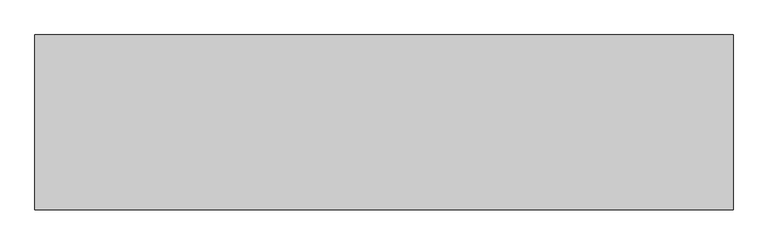
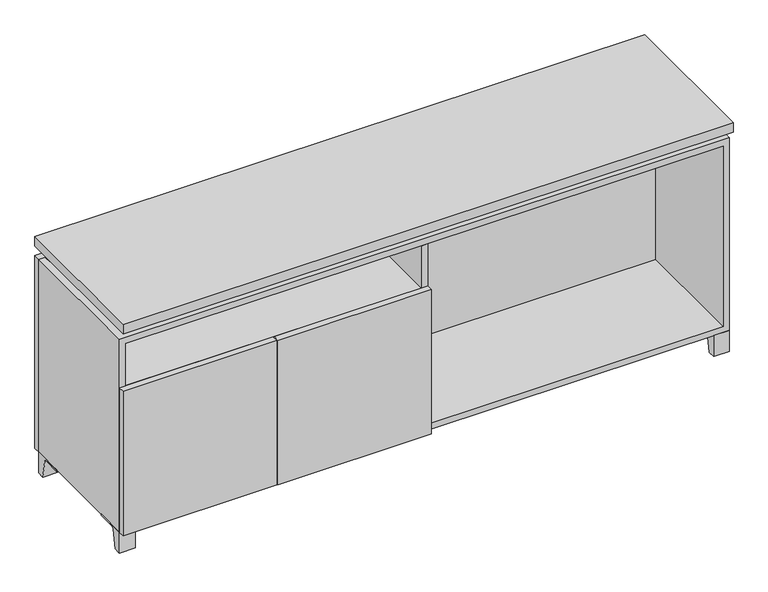
"""IFC4 building model written with IfcOpenShell, lengths in millimetres: furniture geometry."""

from ifc_helpers import new_model, si_unit, point, frame, frame_2d, origin, place, context, project, spatial, polyline, circle_curve, trimmed, segment, composite_curve, outline, extrude, faceted_brep, source, transform, mapped, element, save


def furniture_8cd54f4f(model_context):
    return source(origin(), model_context, "Body", "SolidModel", [
        extrude(outline(composite_curve([segment(polyline([(44.9791531, 0.0), (22.225, 0.0), (22.225, 66.675), (117.475, 66.675), (117.475, 61.8963321), (60.6744655, 61.8963321)]), True, "CONTINUOUS"), segment(trimmed(circle_curve(frame_2d((60.6744655, 55.5463321)), 6.35), [point((60.6744655, 61.8963321))], [point((54.4108641, 56.5902656))], True, "CARTESIAN"), True, "CONTINUOUS"), segment(polyline([(54.4108641, 56.5902656), (44.9791531, 0.0)]), True, "CONTINUOUS")], self_intersect=False)), frame((-23.7986094, 0.0, 0.0), z_axis=(1.0, 0.0, 0.0), x_axis=(0.0, 1.0, 0.0)), (0.0, 0.0, 1.0), 47.625),
        extrude(outline(composite_curve([segment(polyline([(-123.2958469, 0.0), (-146.05, 0.0), (-146.05, 66.675), (-50.8, 66.675), (-50.8, 61.8963321), (-107.6005345, 61.8963321)]), True, "CONTINUOUS"), segment(trimmed(circle_curve(frame_2d((-107.6005345, 55.5463321)), 6.35), [point((-107.6005345, 61.8963321))], [point((-113.8641359, 56.5902656))], True, "CARTESIAN"), True, "CONTINUOUS"), segment(polyline([(-113.8641359, 56.5902656), (-123.2958469, 0.0)]), True, "CONTINUOUS")], self_intersect=False)), frame((865.2013906, 0.0, 0.0), z_axis=(1.0, 0.0, 0.0), x_axis=(0.0, 1.0, 0.0)), (0.0, 0.0, 1.0), 47.625),
        extrude(outline(composite_curve([segment(polyline([(250.2958469, 0.0), (240.8641359, 56.5902656)]), True, "CONTINUOUS"), segment(trimmed(circle_curve(frame_2d((234.6005345, 55.5463321)), 6.35), [point((240.8641359, 56.5902656))], [point((234.6005345, 61.8963321))], True, "CARTESIAN"), True, "CONTINUOUS"), segment(polyline([(234.6005345, 61.8963321), (177.8, 61.8963321), (177.8, 66.675), (273.05, 66.675), (273.05, 0.0), (250.2958469, 0.0)]), True, "CONTINUOUS")], self_intersect=False)), frame((865.2013906, 0.0, 0.0), z_axis=(1.0, 0.0, 0.0), x_axis=(0.0, 1.0, 0.0)), (0.0, 0.0, 1.0), 47.625),
        extrude(outline(composite_curve([segment(polyline([(-123.2958469, 0.0), (-146.05, 0.0), (-146.05, 66.675), (-50.8, 66.675), (-50.8, 61.8963321), (-107.6005345, 61.8963321)]), True, "CONTINUOUS"), segment(trimmed(circle_curve(frame_2d((-107.6005345, 55.5463321)), 6.35), [point((-107.6005345, 61.8963321))], [point((-113.8641359, 56.5902656))], True, "CARTESIAN"), True, "CONTINUOUS"), segment(polyline([(-113.8641359, 56.5902656), (-123.2958469, 0.0)]), True, "CONTINUOUS")], self_intersect=False)), frame((-912.7986094, 0.0, 0.0), z_axis=(1.0, 0.0, 0.0), x_axis=(0.0, 1.0, 0.0)), (0.0, 0.0, 1.0), 47.625),
        extrude(outline(composite_curve([segment(polyline([(250.2958469, 0.0), (240.8641359, 56.5902656)]), True, "CONTINUOUS"), segment(trimmed(circle_curve(frame_2d((234.6005345, 55.5463321)), 6.35), [point((240.8641359, 56.5902656))], [point((234.6005345, 61.8963321))], True, "CARTESIAN"), True, "CONTINUOUS"), segment(polyline([(234.6005345, 61.8963321), (177.8, 61.8963321), (177.8, 66.675), (273.05, 66.675), (273.05, 0.0), (250.2958469, 0.0)]), True, "CONTINUOUS")], self_intersect=False)), frame((-912.7986094, 0.0, 0.0), z_axis=(1.0, 0.0, 0.0), x_axis=(0.0, 1.0, 0.0)), (0.0, 0.0, 1.0), 47.625),
        faceted_brep([(-912.7986094, -146.05, 66.675), (912.8125, -146.05, 66.675), (912.8125, -146.05, 676.275), (-912.7986094, -146.05, 676.275), (-893.7486094, -146.05, 85.725), (-893.7486094, -146.05, 657.225), (893.7694453, -146.05, 657.225), (893.7486094, -146.05, 85.725), (-912.7986094, 273.05, 66.675), (-912.7986094, 273.05, 676.275), (-893.7486094, 273.05, 676.275), (-893.7486094, 273.05, 85.725), (893.7486094, 273.05, 85.725), (893.7486094, 273.05, 676.275), (912.8125, 273.05, 676.275), (912.8125, 273.05, 66.675), (893.7486094, 247.65, 676.275), (-893.7416641, 247.65, 676.275), (-893.7486094, 247.65, 657.225), (893.7486094, 247.65, 657.225)], [[[0, 1, 2, 3], [4, 5, 6, 7]], [[8, 9, 10, 11, 12, 13, 14, 15]], [[1, 0, 8, 15]], [[2, 1, 15, 14]], [[3, 2, 14, 13, 16, 17, 10, 9]], [[0, 3, 9, 8]], [[11, 10, 17, 18, 5, 4]], [[13, 12, 7, 6, 19, 16]], [[4, 7, 12, 11]], [[6, 5, 18, 19]], [[17, 16, 19, 18]]]),
        extrude(outline(polyline([(912.8263906, -165.1), (-912.7986094, -165.1), (-912.7986094, 292.1), (912.8263906, 292.1), (912.8263906, -165.1)])), frame((0.0, 0.0, 706.4375), z_axis=(0.0, 0.0, 1.0), x_axis=(1.0, 0.0, 0.0)), (0.0, 0.0, 1.0), 30.1625),
        faceted_brep([(7.9513906, -69.85, 706.4375), (7.9513906, -69.85, 676.275), (7.9513906, 53.975, 676.275), (7.9513906, 53.975, 706.4375), (7.9513906, 196.85, 676.275), (7.9513906, 196.85, 706.4375), (7.9513906, 73.025, 706.4375), (7.9513906, 73.025, 676.275), (-7.9236094, 196.85, 706.4375), (-7.9236094, 196.85, 676.275), (-7.9236094, 73.025, 676.275), (-7.9236094, 73.025, 706.4375), (-7.9236094, -69.85, 676.275), (-7.9236094, -69.85, 706.4375), (-7.9236094, 53.975, 706.4375), (-7.9236094, 53.975, 676.275), (-871.4958281, 73.025, 706.4375), (-871.5166641, 247.65, 706.4375), (-887.3916641, 247.65, 706.4375), (-887.3916641, -120.65, 706.4375), (-871.5166641, -120.65, 706.4375), (-871.5166641, 53.975, 706.4375), (871.5236094, 53.975, 706.4375), (871.5236094, -120.65, 706.4375), (887.3986094, -120.65, 706.4375), (887.3986094, 247.65, 706.4375), (871.5236094, 247.65, 706.4375), (871.5236094, 73.025, 706.4375), (-871.4958281, 53.975, 676.275), (-871.5166641, -120.65, 676.275), (-887.3916641, -120.65, 676.275), (-887.3916641, 247.65, 676.275), (-871.5166641, 247.65, 676.275), (-871.5166641, 73.025, 676.275), (871.5236094, 73.025, 676.275), (871.5236094, 247.65, 676.275), (887.3986094, 247.65, 676.275), (887.3986094, -120.65, 676.275), (871.5236094, -120.65, 676.275), (871.5236094, 53.975, 676.275)], [[[0, 1, 2, 3]], [[4, 5, 6, 7]], [[8, 9, 10, 11]], [[12, 13, 14, 15]], [[5, 8, 11, 16, 17, 18, 19, 20, 21, 14, 13, 0, 3, 22, 23, 24, 25, 26, 27, 6]], [[1, 12, 15, 28, 29, 30, 31, 32, 33, 10, 9, 4, 7, 34, 35, 36, 37, 38, 39, 2]], [[5, 4, 9, 8]], [[1, 0, 13, 12]], [[6, 27, 34, 7]], [[22, 3, 2, 39]], [[20, 29, 28, 21]], [[32, 17, 16, 33]], [[18, 31, 30, 19]], [[29, 20, 19, 30]], [[17, 32, 31, 18]], [[26, 35, 34, 27]], [[38, 23, 22, 39]], [[25, 24, 37, 36]], [[23, 38, 37, 24]], [[35, 26, 25, 36]], [[16, 11, 10, 33]], [[14, 21, 28, 15]]]),
        extrude(outline(polyline([(9.5388906, 203.2), (9.5388906, -146.05), (-9.5111094, -146.05), (-9.5111094, 203.2), (9.5388906, 203.2)])), frame((0.0, 0.0, 85.725), z_axis=(0.0, 0.0, 1.0), x_axis=(1.0, 0.0, 0.0)), (0.0, 0.0, 1.0), 571.5),
        extrude(outline(polyline([(912.8263906, 273.05), (-912.7986094, 273.05), (-912.7986094, 292.1), (912.8263906, 292.1), (912.8263906, 273.05)])), frame((0.0, 0.0, 66.675), z_axis=(0.0, 0.0, 1.0), x_axis=(1.0, 0.0, 0.0)), (0.0, 0.0, 1.0), 609.6),
        extrude(outline(polyline([(-893.7416641, 203.2), (-893.7416641, 209.55), (893.7694453, 209.55), (893.7694453, 203.2), (-893.7416641, 203.2)])), frame((0.0, 0.0, 85.725), z_axis=(0.0, 0.0, 1.0), x_axis=(1.0, 0.0, 0.0)), (0.0, 0.0, 1.0), 571.5),
        extrude(outline(polyline([(9.5388906, -165.1), (-450.0423594, -165.1), (-450.0423594, -146.05), (9.5388906, -146.05), (9.5388906, -165.1)])), frame((0.0, 0.0, 66.675), z_axis=(0.0, 0.0, 1.0), x_axis=(1.0, 0.0, 0.0)), (0.0, 0.0, 1.0), 457.2),
        extrude(outline(polyline([(-453.2173594, -165.1), (-912.7986094, -165.1), (-912.7986094, -146.05), (-453.2173594, -146.05), (-453.2173594, -165.1)])), frame((0.0, 0.0, 66.675), z_axis=(0.0, 0.0, 1.0), x_axis=(1.0, 0.0, 0.0)), (0.0, 0.0, 1.0), 457.2),
        extrude(outline(polyline([(-9.5111094, 203.2), (-9.5111094, -146.05), (-893.7486094, -146.05), (-893.7486094, 203.2), (-9.5111094, 203.2)])), frame((0.0, 0.0, 504.825), z_axis=(0.0, 0.0, 1.0), x_axis=(1.0, 0.0, 0.0)), (0.0, 0.0, 1.0), 19.05),
    ])


if __name__ == "__main__":
    model = new_model("IFC4")
    model_context = context("Model", 3, world=origin())
    ifc_project = project(units=[si_unit("LENGTHUNIT", "METRE", prefix="MILLI")], contexts=[model_context])
    site = spatial("IfcSite", under=ifc_project)
    building = spatial("IfcBuilding", under=site)
    placement = place(None, origin())
    furniture_shape = furniture_8cd54f4f(model_context)
    element("IfcFurniture", 1, at=placement, inside=building, context=model_context, shape_type="MappedRepresentation", body=[
        mapped(furniture_shape, transform((0.0, 0.0, 0.0), x_axis=(1.0, 0.0, 0.0), y_axis=(0.0, 1.0, 0.0), z_axis=(0.0, 0.0, 1.0))),
    ])
    save(model, "model.ifc")
